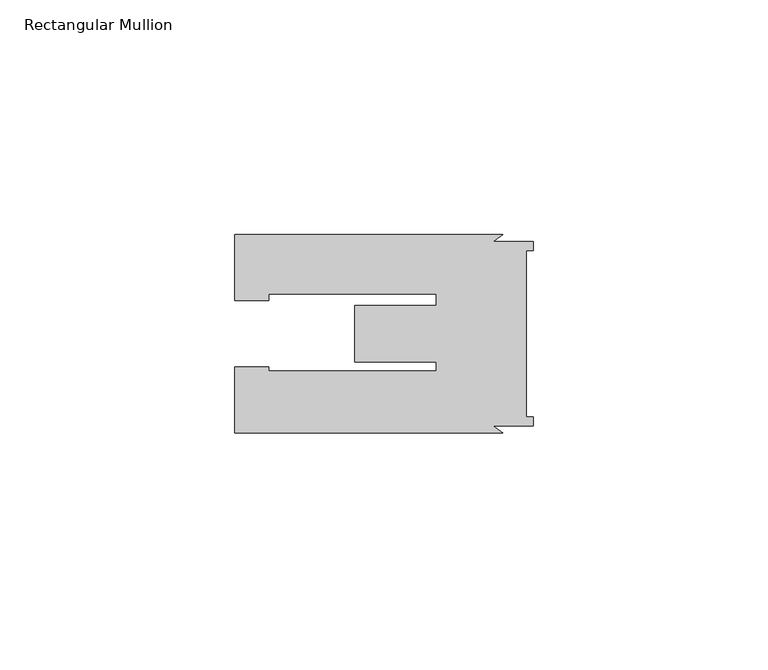
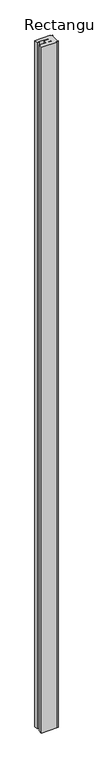
"""IFC4 building model written with IfcOpenShell, lengths in millimetres: member geometry, Rectangular Mullion."""

from ifc_helpers import new_model, si_unit, frame, origin, place, context, project, spatial, polyline, outline, extrude, source, transform, mapped, element, save


def rectangular_mullion_a7e74115(model_context):
    return source(origin(), model_context, "Body", "SweptSolid", [
        extrude(outline(polyline([(-8.4978403, -19.6), (-6.5070335, -21.1001806), (-63.5000904, -21.1001806), (-63.5000904, -7.1002443), (-56.3000904, -7.1002443), (-56.3000904, -7.9321779), (-20.6741363, -7.9321779), (-20.6741363, -5.9999784), (-38.0, -5.9999784), (-38.0, 6.0000216), (-20.6741363, 6.0000216), (-20.6741363, 8.4998194), (-56.3000904, 8.4998194), (-56.3000904, 7.100122), (-63.5000904, 7.100122), (-63.5000904, 21.0998194), (-6.5009095, 21.0998194), (-8.4914767, 19.5998194), (0.0, 19.5998194), (0.0, 17.7682343), (-1.5, 17.7682343), (-1.5, -17.7682343), (0.0, -17.7682343), (0.0, -19.6), (-8.4978403, -19.6)])), frame((0.0, 0.0, -2683.1999096), z_axis=(0.0, 0.0, 1.0), x_axis=(1.0, 0.0, 0.0)), (0.0, 0.0, 1.0), 2683.1999096),
    ])


if __name__ == "__main__":
    model = new_model("IFC4")
    model_context = context("Model", 3, world=origin())
    ifc_project = project(units=[si_unit("LENGTHUNIT", "METRE", prefix="MILLI")], contexts=[model_context])
    site = spatial("IfcSite", under=ifc_project)
    building = spatial("IfcBuilding", under=site)
    placement = place(None, origin())
    rectangular_mullion_shape = rectangular_mullion_a7e74115(model_context)
    element("IfcMember", 1, ObjectType="Rectangular Mullion", at=placement, inside=building, context=model_context, shape_type="MappedRepresentation", body=[
        mapped(rectangular_mullion_shape, transform((0.0, 0.0, 0.0), x_axis=(1.0, 0.0, 0.0), y_axis=(0.0, 1.0, 0.0), z_axis=(0.0, 0.0, 1.0))),
    ])
    save(model, "model.ifc")
